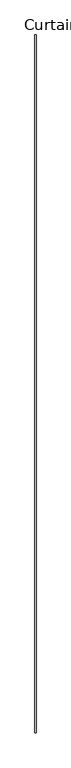
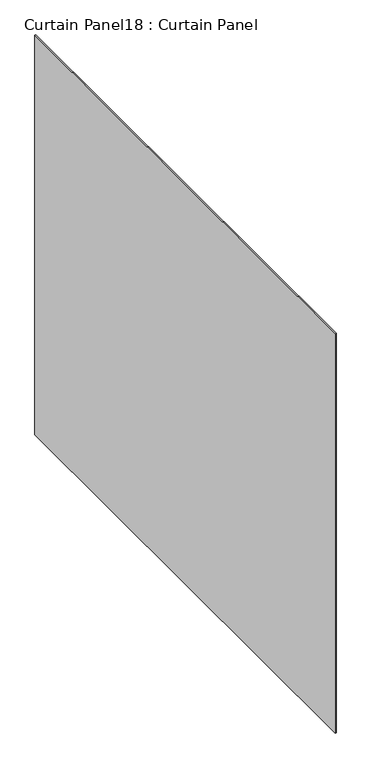
"""IFC4 building model written with IfcOpenShell, lengths in millimetres: plate geometry, Curtain Panel18 : Curtain Panel."""

from ifc_helpers import new_model, si_unit, frame, origin, place, context, project, spatial, polyline, outline, extrude, source, transform, mapped, element, save


def curtain_panel18_curtain_panel_ffb944f7(model_context):
    return source(origin(), model_context, "Body", "SweptSolid", [
        extrude(outline(polyline([(-82190.2104124, 3315.3046625), (-82190.2104124, 7068.1546625), (-82183.8604124, 7068.1546625), (-82183.8604124, 3315.3046625), (-82190.2104124, 3315.3046625)])), frame((0.0, 0.0, 3048.0), z_axis=(0.0, 0.0, 1.0), x_axis=(1.0, 0.0, 0.0)), (0.0, 0.0, 1.0), 3048.0),
    ])


if __name__ == "__main__":
    model = new_model("IFC4")
    model_context = context("Model", 3, world=origin())
    ifc_project = project(units=[si_unit("LENGTHUNIT", "METRE", prefix="MILLI")], contexts=[model_context])
    site = spatial("IfcSite", under=ifc_project)
    building = spatial("IfcBuilding", under=site)
    placement = place(None, origin())
    curtain_panel18_curtain_panel_shape = curtain_panel18_curtain_panel_ffb944f7(model_context)
    element("IfcPlate", 1, ObjectType="Curtain Panel18 : Curtain Panel", at=placement, inside=building, context=model_context, shape_type="MappedRepresentation", body=[
        mapped(curtain_panel18_curtain_panel_shape, transform((0.0, 0.0, 0.0), x_axis=(1.0, 0.0, 0.0), y_axis=(0.0, 1.0, 0.0), z_axis=(0.0, 0.0, 1.0))),
    ])
    save(model, "model.ifc")
